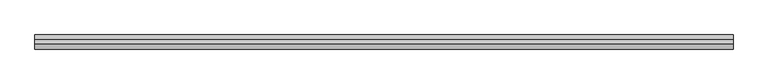
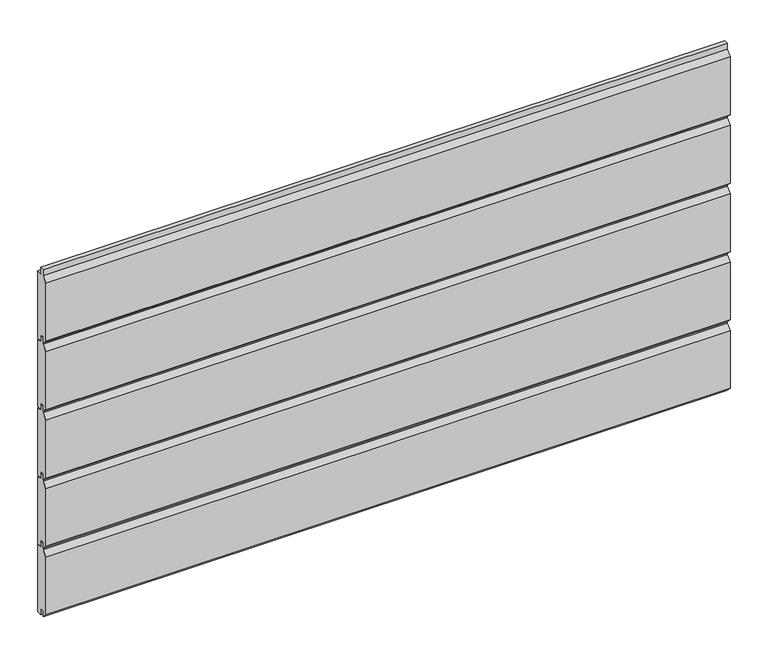
"""IFC4 building model written with IfcOpenShell, lengths in millimetres: plate geometry."""

import ifcopenshell
import ifcopenshell.guid

model = None  # the IFC model being written
_history = None  # IfcOwnerHistory: only IFC2X3 demands one
_inside = {}  # id of a spatial element -> (the spatial element, [elements in it])
_under = {}  # id of a project, library or spatial element -> (it, [spatial elements below it])
_declared = {}  # id of a project -> (the project, [libraries it declares])
_typed = {}  # id of a type object -> (the type object, [elements of that type])
_made_of = {}  # id of a material, layer set ... -> (it, [elements and type objects made of it])


def new_model(schema):
    """Start an empty IFC model of exactly this schema.

    Asked for "IFC4X3", IfcOpenShell would pick the latest addendum, in which some entities
    have other attributes; the version numbers below select the first issue.
    IFC2X3 requires an IfcOwnerHistory on every rooted entity: one is made here for all.
    """
    global model, _history
    if schema == "IFC4X3":
        model = ifcopenshell.file(schema_version=(4, 3, 0, 0))
    else:
        model = ifcopenshell.file(schema=schema)
    _inside.clear()
    _under.clear()
    _declared.clear()
    _typed.clear()
    _made_of.clear()
    _history = None
    if model.schema == "IFC2X3":
        org = make("IfcOrganization", Name="unknown")
        user = make(
            "IfcPersonAndOrganization",
            ThePerson=make("IfcPerson", FamilyName="unknown"),
            TheOrganization=org,
        )
        app = make(
            "IfcApplication",
            ApplicationDeveloper=org,
            Version="unknown",
            ApplicationFullName="unknown",
            ApplicationIdentifier="unknown",
        )
        _history = make(
            "IfcOwnerHistory",
            OwningUser=user,
            OwningApplication=app,
            ChangeAction="ADDED",
            CreationDate=0,
        )
    return model


def make(cls, **values):
    """One entity of the class cls with the attributes given. An attribute that is None is left unset."""
    return model.create_entity(
        cls, **{name: value for name, value in values.items() if value is not None}
    )


def rooted(cls, **values):
    """An entity with a GlobalId (a new one), such as an element, a storey or a relation."""
    return make(cls, GlobalId=ifcopenshell.guid.new(), OwnerHistory=_history, **values)


def si_unit(unit_type, name, prefix=None):
    """IfcSIUnit, for example si_unit("LENGTHUNIT", "METRE", prefix="MILLI")."""
    return make("IfcSIUnit", UnitType=unit_type, Prefix=prefix, Name=name)


def assignment(units):
    """IfcUnitAssignment: the units of a project."""
    return None if units is None else make("IfcUnitAssignment", Units=units)


def point(xyz):
    """IfcCartesianPoint."""
    return None if xyz is None else make("IfcCartesianPoint", Coordinates=xyz)


def direction(xyz):
    """IfcDirection."""
    return None if xyz is None else make("IfcDirection", DirectionRatios=xyz)


def frame(location, z_axis=None, x_axis=None):
    """IfcAxis2Placement3D, a coordinate frame: its origin and axes. An axis left out is left unset."""
    return make(
        "IfcAxis2Placement3D",
        Location=point(location),
        Axis=direction(z_axis),
        RefDirection=direction(x_axis),
    )


def origin():
    """The frame at (0, 0, 0) with its axes left unset."""
    return frame((0.0, 0.0, 0.0))


def place(relative_to, where):
    """IfcLocalPlacement: puts the frame where relative to a parent placement (None: the world)."""
    return make(
        "IfcLocalPlacement", PlacementRelTo=relative_to, RelativePlacement=where
    )


def context(
    kind, dimensions, precision=None, world=None, true_north=None, identifier=None
):
    """IfcGeometricRepresentationContext, for example the 3D "Model" context."""
    return make(
        "IfcGeometricRepresentationContext",
        ContextIdentifier=identifier,
        ContextType=kind,
        CoordinateSpaceDimension=dimensions,
        Precision=precision,
        WorldCoordinateSystem=world,
        TrueNorth=true_north,
    )


def project(units=None, contexts=None):
    """IfcProject with its units and contexts."""
    return rooted(
        "IfcProject",
        Name="project",
        RepresentationContexts=contexts,
        UnitsInContext=assignment(units),
    )


def spatial(cls, under=None, at=None, **own):
    """A site, building, storey or space (cls), placed at a placement, below another one or the project."""
    s = rooted(cls, ObjectPlacement=at, **own)
    if under is not None:
        _under.setdefault(under.id(), (under, []))[1].append(s)
    return s


def polyline(points):
    """IfcPolyline through the points."""
    return make("IfcPolyline", Points=[point(p) for p in points])


def outline(outer, holes=None, kind="AREA"):
    """IfcArbitraryClosedProfileDef: a profile drawn as a closed curve; with holes, ...WithVoids."""
    if holes is None:
        return make("IfcArbitraryClosedProfileDef", ProfileType=kind, OuterCurve=outer)
    return make(
        "IfcArbitraryProfileDefWithVoids",
        ProfileType=kind,
        OuterCurve=outer,
        InnerCurves=holes,
    )


def extrude(swept, where, along, depth):
    """IfcExtrudedAreaSolid: the profile swept, set in the frame where, extruded along a direction by depth."""
    return make(
        "IfcExtrudedAreaSolid",
        SweptArea=swept,
        Position=where,
        ExtrudedDirection=direction(along),
        Depth=depth,
    )


def shape(context_of_items, identifier, shape_type, items):
    """IfcShapeRepresentation: the items that make up one representation, for example the "Body"."""
    return make(
        "IfcShapeRepresentation",
        ContextOfItems=context_of_items,
        RepresentationIdentifier=identifier,
        RepresentationType=shape_type,
        Items=items,
    )


def source(mapping_origin, context_of_items, identifier, shape_type, items):
    """IfcRepresentationMap: a shape defined once, which mapped items show again and again."""
    return make(
        "IfcRepresentationMap",
        MappingOrigin=mapping_origin,
        MappedRepresentation=shape(context_of_items, identifier, shape_type, items),
    )


def transform(
    local_origin,
    x_axis=None,
    y_axis=None,
    z_axis=None,
    scale=None,
    scale2=None,
    scale3=None,
    uniform=True,
):
    """IfcCartesianTransformationOperator3D, or its non-uniform kind. x_axis, y_axis, z_axis: its Axis1, 2, 3."""
    if uniform:
        return make(
            "IfcCartesianTransformationOperator3D",
            Axis1=direction(x_axis),
            Axis2=direction(y_axis),
            LocalOrigin=point(local_origin),
            Scale=scale,
            Axis3=direction(z_axis),
        )
    return make(
        "IfcCartesianTransformationOperator3DnonUniform",
        Axis1=direction(x_axis),
        Axis2=direction(y_axis),
        LocalOrigin=point(local_origin),
        Scale=scale,
        Axis3=direction(z_axis),
        Scale2=scale2,
        Scale3=scale3,
    )


def mapped(mapping_source, mapping_target):
    """IfcMappedItem: shows the shape of a source again, moved by a transform."""
    return make(
        "IfcMappedItem", MappingSource=mapping_source, MappingTarget=mapping_target
    )


def made_of(thing, what):
    """Note that an element or type object is made of a material, layer set ...; save() writes the relation."""
    if what is not None:
        _made_of.setdefault(what.id(), (what, []))[1].append(thing)
    return thing


def element(
    cls,
    number,
    at=None,
    inside=None,
    cuts=None,
    type_object=None,
    material=None,
    context=None,
    identifier="Body",
    shape_type=None,
    held_by="IfcProductDefinitionShape",
    body=None,
    shapes=None,
    **own,
):
    """One element of the class cls, such as IfcWall. Its Tag is "e" and its number.

    at: its placement. inside: the storey or other place that contains it. cuts: it is an
    opening in that element (IfcRelVoidsElement). A single representation is given by context,
    identifier, shape_type and body (its items); several are given by shapes. held_by: the class
    of the entity that holds the representations. save() writes the other relations.
    """
    e = rooted(cls, Tag="e%d" % number, ObjectPlacement=at, **own)
    if body is not None:
        shapes = [shape(context, identifier, shape_type, body)]
    if shapes is not None:
        e.Representation = make(held_by, Representations=shapes)
    if inside is not None:
        _inside.setdefault(inside.id(), (inside, []))[1].append(e)
    if cuts is not None:
        rooted(
            "IfcRelVoidsElement", RelatingBuildingElement=cuts, RelatedOpeningElement=e
        )
    if type_object is not None:
        _typed.setdefault(type_object.id(), (type_object, []))[1].append(e)
    return made_of(e, material)


def aggregate(whole, parts):
    """IfcRelAggregates: a whole, such as a stair, and the parts it consists of."""
    return rooted("IfcRelAggregates", RelatingObject=whole, RelatedObjects=parts)


def save(model, path):
    """Write the relations noted so far, then the file.

    IfcRelAggregates (storeys below a building ...), IfcRelContainedInSpatialStructure (elements
    in a storey), IfcRelDefinesByType, IfcRelAssociatesMaterial and IfcRelDeclares: one each for
    every whole, place, type object, material and project.
    """
    for whole, parts in _under.values():
        aggregate(whole, parts)
    for where, things in _inside.values():
        rooted(
            "IfcRelContainedInSpatialStructure",
            RelatedElements=things,
            RelatingStructure=where,
        )
    for kind, things in _typed.values():
        rooted("IfcRelDefinesByType", RelatedObjects=things, RelatingType=kind)
    for what, things in _made_of.values():
        rooted("IfcRelAssociatesMaterial", RelatedObjects=things, RelatingMaterial=what)
    for by, libraries in _declared.values():
        rooted("IfcRelDeclares", RelatingContext=by, RelatedDefinitions=libraries)
    model.write(path)


def plate_95f5bcab(model_context):
    return source(origin(), model_context, "Body", "SweptSolid", [
        extrude(outline(polyline([(0.0, 440.0), (-7.5, 440.0), (-7.5, 450.0), (-13.5, 450.0), (-13.5, 440.0), (-21.0, 447.5), (-21.0, 540.5), (-13.5, 548.0), (-13.5, 558.0), (-7.5, 558.0), (-7.5, 548.0), (0.0, 548.0), (0.0, 440.0)])), frame((-520.0, 0.0, 0.0), z_axis=(1.0, 0.0, 0.0), x_axis=(0.0, 1.0, 0.0)), (0.0, 0.0, 1.0), 1040.0),
        extrude(outline(polyline([(0.0, 330.0), (-7.5, 330.0), (-7.5, 340.0), (-13.5, 340.0), (-13.5, 330.0), (-21.0, 337.5), (-21.0, 430.5), (-13.5, 438.0), (-13.5, 448.0), (-7.5, 448.0), (-7.5, 438.0), (0.0, 438.0), (0.0, 330.0)])), frame((-520.0, 0.0, 0.0), z_axis=(1.0, 0.0, 0.0), x_axis=(0.0, 1.0, 0.0)), (0.0, 0.0, 1.0), 1040.0),
        extrude(outline(polyline([(0.0, 220.0), (-7.5, 220.0), (-7.5, 230.0), (-13.5, 230.0), (-13.5, 220.0), (-21.0, 227.5), (-21.0, 320.5), (-13.5, 328.0), (-13.5, 338.0), (-7.5, 338.0), (-7.5, 328.0), (0.0, 328.0), (0.0, 220.0)])), frame((-520.0, 0.0, 0.0), z_axis=(1.0, 0.0, 0.0), x_axis=(0.0, 1.0, 0.0)), (0.0, 0.0, 1.0), 1040.0),
        extrude(outline(polyline([(0.0, 110.0), (-7.5, 110.0), (-7.5, 120.0), (-13.5, 120.0), (-13.5, 110.0), (-21.0, 117.5), (-21.0, 210.5), (-13.5, 218.0), (-13.5, 228.0), (-7.5, 228.0), (-7.5, 218.0), (0.0, 218.0), (0.0, 110.0)])), frame((-520.0, 0.0, 0.0), z_axis=(1.0, 0.0, 0.0), x_axis=(0.0, 1.0, 0.0)), (0.0, 0.0, 1.0), 1040.0),
        extrude(outline(polyline([(0.0, 0.0), (-7.5, 0.0), (-7.5, 10.0), (-13.5, 10.0), (-13.5, 0.0), (-21.0, 7.5), (-21.0, 100.5), (-13.5, 108.0), (-13.5, 118.0), (-7.5, 118.0), (-7.5, 108.0), (0.0, 108.0), (0.0, 0.0)])), frame((-520.0, 0.0, 0.0), z_axis=(1.0, 0.0, 0.0), x_axis=(0.0, 1.0, 0.0)), (0.0, 0.0, 1.0), 1040.0),
    ])


if __name__ == "__main__":
    model = new_model("IFC4")
    model_context = context("Model", 3, world=origin())
    ifc_project = project(units=[si_unit("LENGTHUNIT", "METRE", prefix="MILLI")], contexts=[model_context])
    site = spatial("IfcSite", under=ifc_project)
    building = spatial("IfcBuilding", under=site)
    placement = place(None, origin())
    plate_shape = plate_95f5bcab(model_context)
    element("IfcPlate", 1, at=placement, inside=building, context=model_context, shape_type="MappedRepresentation", body=[
        mapped(plate_shape, transform((0.0, 0.0, 0.0), x_axis=(1.0, 0.0, 0.0), y_axis=(0.0, 1.0, 0.0), z_axis=(0.0, 0.0, 1.0))),
    ])
    save(model, "model.ifc")
